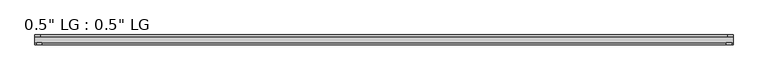
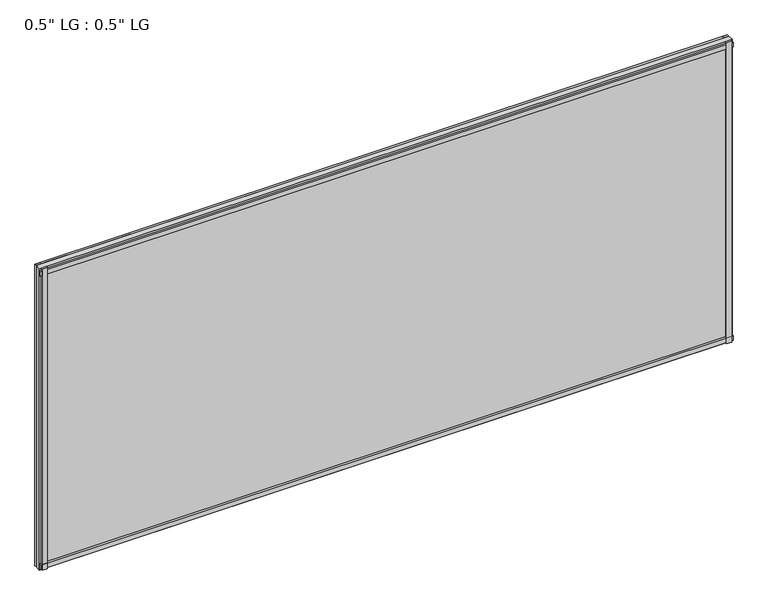
"""IFC4 building model written with IfcOpenShell, lengths in millimetres: plate geometry."""

from ifc_helpers import new_model, si_unit, frame, origin, origin_with_axes, place, context, project, spatial, polyline, outline, extrude, source, transform, mapped, element, save


def plate_72af363b(model_context):
    return source(origin(), model_context, "Body", "SweptSolid", [
        extrude(outline(polyline([(809.6581873, 33.3271813), (797.5205077, 33.3271813), (797.5205077, 38.0007813), (809.6581873, 38.0007813), (809.6581873, 33.3271813)])), origin_with_axes(), (0.0, 0.0, 1.0), 744.6980689),
        extrude(outline(polyline([(806.1268336, 15.5217813), (794.1144097, 15.5217813), (794.1144097, 19.7127813), (806.1268336, 19.7127813), (806.1268336, 15.5217813)])), origin_with_axes(), (0.0, 0.0, 1.0), 744.6980689),
        extrude(outline(polyline([(-797.3676093, 38.0007812), (-797.3676093, 33.3271813), (-809.6581873, 33.3271813), (-809.6581873, 38.0007812), (-797.3676093, 38.0007812)])), origin_with_axes(), (0.0, 0.0, 1.0), 744.6980689),
        extrude(outline(polyline([(-793.4083713, 19.7127813), (-793.4083713, 15.5217812), (-805.6989493, 15.5217812), (-805.6989493, 19.7127813), (-793.4083713, 19.7127813)])), origin_with_axes(), (0.0, 0.0, 1.0), 744.6980689),
        extrude(outline(polyline([(809.6581873, 33.3271813), (-809.6581873, 33.3271813), (-809.6581873, 38.0007812), (809.6581873, 38.0007813), (809.6581873, 33.3271813)])), origin_with_axes(), (0.0, 0.0, 1.0), 11.1693096),
        extrude(outline(polyline([(809.6581873, 15.3590708), (-809.6581873, 15.3590708), (-809.6581873, 20.1364307), (809.6581873, 20.1364307), (809.6581873, 15.3590708)])), frame((0.0, 0.0, 3.848913), z_axis=(0.0, 0.0, 1.0), x_axis=(1.0, 0.0, 0.0)), (0.0, 0.0, 1.0), 11.1693096),
        extrude(outline(polyline([(809.6581873, 33.3271813), (-809.6581873, 33.3271813), (-809.6581873, 38.0007812), (809.6581873, 38.0007813), (809.6581873, 33.3271813)])), frame((0.0, 0.0, 733.516963), z_axis=(0.0, 0.0, 1.0), x_axis=(1.0, 0.0, 0.0)), (0.0, 0.0, 1.0), 11.1811058),
        extrude(outline(polyline([(809.6581873, 15.5217813), (-809.6581873, 15.5217813), (-809.6581873, 19.7127812), (809.6581873, 19.7127813), (809.6581873, 15.5217813)])), frame((0.0, 0.0, 728.9578163), z_axis=(0.0, 0.0, 1.0), x_axis=(1.0, 0.0, 0.0)), (0.0, 0.0, 1.0), 11.1811058),
        extrude(outline(polyline([(809.6581873, 33.3271812), (809.6581873, 19.7127812), (-809.6581873, 19.7127812), (-809.6581873, 33.3271812), (809.6581873, 33.3271812)])), origin_with_axes(), (0.0, 0.0, 1.0), 744.6980689),
    ])


if __name__ == "__main__":
    model = new_model("IFC4")
    model_context = context("Model", 3, world=origin())
    ifc_project = project(units=[si_unit("LENGTHUNIT", "METRE", prefix="MILLI")], contexts=[model_context])
    site = spatial("IfcSite", under=ifc_project)
    building = spatial("IfcBuilding", under=site)
    placement = place(None, origin())
    plate_shape = plate_72af363b(model_context)
    element("IfcPlate", 1, ObjectType="0.5\" LG : 0.5\" LG", at=placement, inside=building, context=model_context, shape_type="MappedRepresentation", body=[
        mapped(plate_shape, transform((0.0, 0.0, 0.0), x_axis=(1.0, 0.0, 0.0), y_axis=(0.0, 1.0, 0.0), z_axis=(0.0, 0.0, 1.0))),
    ])
    save(model, "model.ifc")
